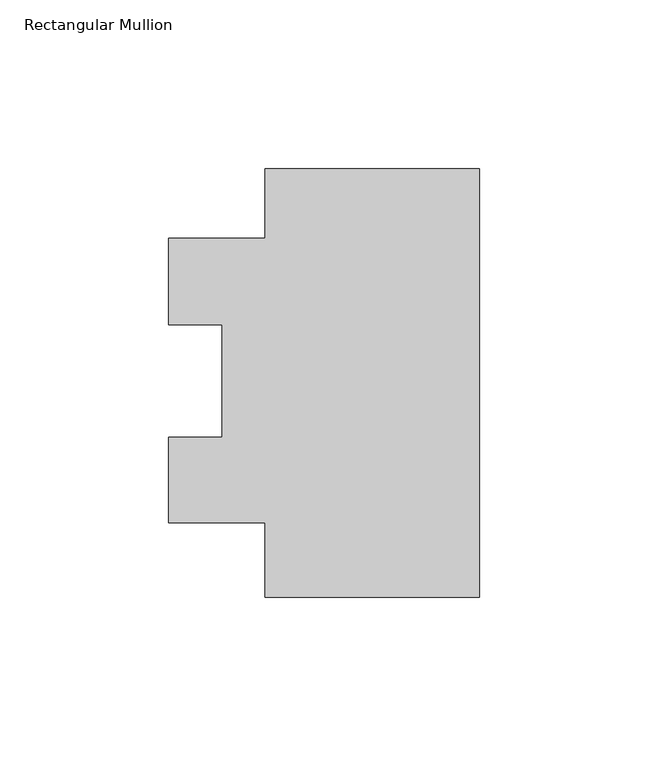
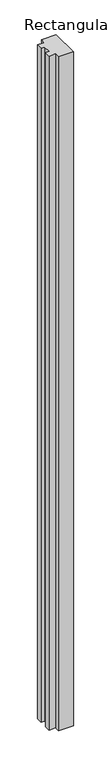
"""IFC4 building model written with IfcOpenShell, lengths in millimetres: member geometry, Rectangular Mullion."""

from ifc_helpers import new_model, si_unit, frame, origin, place, context, project, spatial, polyline, outline, extrude, source, transform, mapped, element, save


def rectangular_mullion_6313db35(model_context):
    return source(origin(), model_context, "Body", "SweptSolid", [
        extrude(outline(polyline([(0.0, 46.02928), (0.0, -80.97072), (-63.5, -80.97072), (-63.5, -58.84732), (-92.075, -58.84732), (-92.075, -33.51082), (-76.2, -33.51082), (-76.2, -0.1519854), (-92.075, -0.1519854), (-92.075, 25.48068), (-63.5, 25.48068), (-63.5, 46.02928), (0.0, 46.02928)])), frame((0.0, 0.0, -3048.0), z_axis=(0.0, 0.0, 1.0), x_axis=(1.0, 0.0, 0.0)), (0.0, 0.0, 1.0), 3048.0),
    ])


if __name__ == "__main__":
    model = new_model("IFC4")
    model_context = context("Model", 3, world=origin())
    ifc_project = project(units=[si_unit("LENGTHUNIT", "METRE", prefix="MILLI")], contexts=[model_context])
    site = spatial("IfcSite", under=ifc_project)
    building = spatial("IfcBuilding", under=site)
    placement = place(None, origin())
    rectangular_mullion_shape = rectangular_mullion_6313db35(model_context)
    element("IfcMember", 1, ObjectType="Rectangular Mullion", at=placement, inside=building, context=model_context, shape_type="MappedRepresentation", body=[
        mapped(rectangular_mullion_shape, transform((0.0, 0.0, 0.0), x_axis=(1.0, 0.0, 0.0), y_axis=(0.0, 1.0, 0.0), z_axis=(0.0, 0.0, 1.0))),
    ])
    save(model, "model.ifc")
